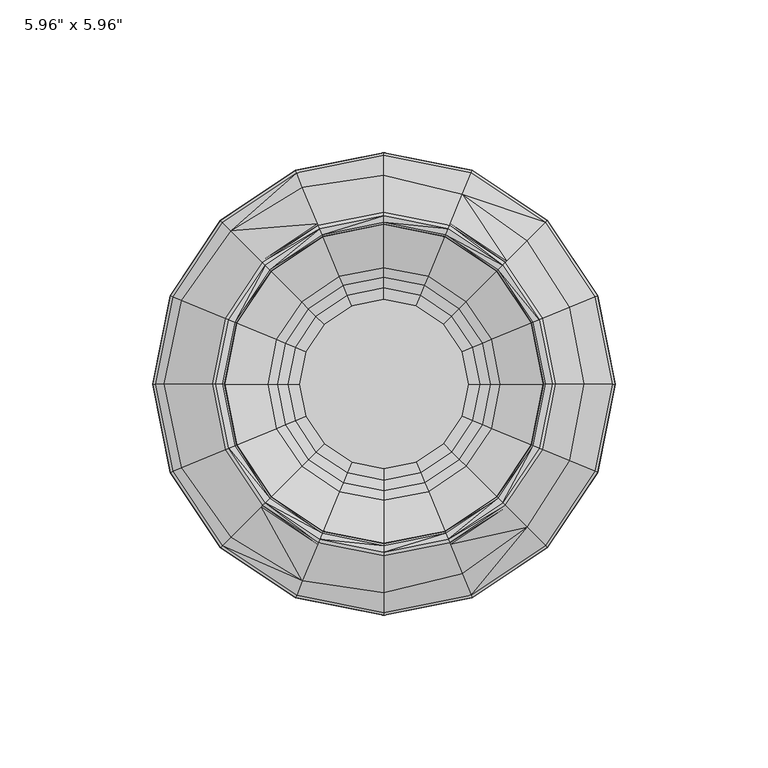
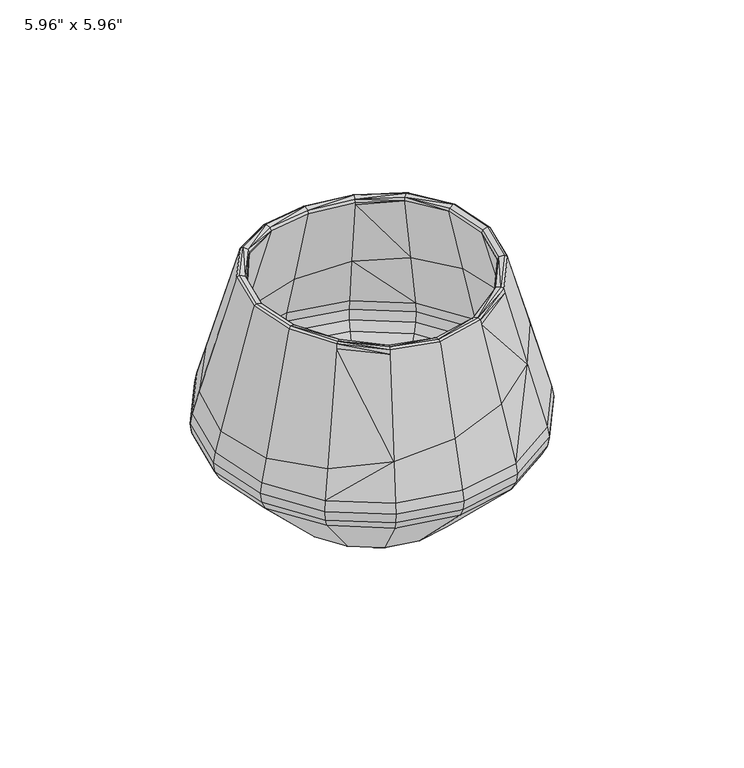
"""IFC4 building model written with IfcOpenShell, lengths in millimetres: furniture geometry."""

from ifc_helpers import new_model, si_unit, origin, place, context, project, spatial, triangles, source, transform, mapped, element, save


def furniture_072ff62c(model_context):
    return source(origin(), model_context, "Body", "Tessellation", [
        triangles([(0.2258568, 6.3e-06, -0.0253601), (26.4588546, 10.959619, 0.0710182), (28.6388633, 6.3e-06, 0.0710182), (29.89193, 12.3816445, 0.8253556), (32.3547952, 6.2e-06, 0.8253556), (33.1174258, 13.717689, 2.2913895), (35.8460428, 6e-06, 2.2913895), (36.0408166, 14.9285957, 4.4246371), (39.0103005, 5.6e-06, 4.4246334), (67.0739355, 27.7829244, 37.6653972), (72.6002969, -1.1e-06, 37.6653972), (69.2360083, 28.6784866, 41.9418349), (74.9405111, -1.8e-06, 41.9418304), (69.9548507, 28.9762428, 46.7227068), (75.7185977, -2.6e-06, 46.7227068), (69.1325126, 28.6356136, 51.5856094), (74.8284903, -3.4e-06, 51.5856094), (60.8238855, 25.1940608, 84.1783648), (65.6085407, -9.5e-06, 85.0001442), (70.1323516, -3.6e-06, 53.0549829), (64.7938421, 26.8384804, 53.0549829), (65.6079821, 27.1757054, 48.1774418), (71.0135706, -2.8e-06, 48.1774418), (64.8908611, 26.8786691, 43.3818269), (70.2373689, -2.1e-06, 43.3818269), (62.738299, 25.9870448, 39.0840288), (67.9074466, -1.4e-06, 39.0840288), (35.2262474, 14.5911913, 9.6932106), (38.1286229, 4.6e-06, 9.6932151), (32.3084544, 13.382602, 7.5491565), (34.9704218, 4.9e-06, 7.5491526), (29.0856838, 12.0476851, 6.0747757), (31.4821218, 5.1e-06, 6.0747723), (25.6532329, 10.6259184, 5.3157082), (27.7668621, 5.3e-06, 5.3157082), (1.53e-05, 5.3e-06, 5.2186858), (0.1597023, 0.1596966, -0.0253601), (20.2507329, 20.2507284, 0.0710182), (22.8782933, 22.8782865, 0.8253556), (25.3469766, 25.3469744, 2.2913895), (27.5844445, 27.58444, 4.4246291), (51.3361697, 51.3361561, 37.6653972), (52.990947, 52.9909334, 41.9418349), (53.5411314, 53.5411178, 46.7227068), (52.9117413, 52.911714, 51.5856094), (46.938632, 46.9386002, 81.7934903), (49.5910682, 49.591041, 53.0549829), (50.214177, 50.2141588, 48.1774418), (49.6653233, 49.6653051, 43.3818269), (48.0178176, 48.0177949, 39.0840288), (26.9610042, 26.9609929, 9.6932151), (24.7278216, 24.7278148, 7.5491526), (22.2612184, 22.2612093, 6.0747723), (19.6341304, 19.6341259, 5.3157048), (3.8e-06, 0.2258347, -0.0253601), (10.9596145, 26.4588456, 0.071022), (12.3816423, 29.8919163, 0.8253556), (13.7176867, 33.1174144, 2.2913895), (14.9285957, 36.0408052, 4.4246291), (27.7829403, 67.0739128, 37.6653972), (28.6785002, 69.235981, 41.9418304), (28.9762587, 69.954837, 46.7227068), (28.6356317, 69.1324763, 51.5856094), (25.7084985, 62.0657474, 78.1471014), (26.8384985, 64.7938194, 53.0549829), (27.1757236, 65.6079594, 48.1774418), (26.8786873, 64.8908384, 43.3818269), (25.9870629, 62.7382717, 39.0840288), (14.591189, 35.2262337, 9.6932185), (13.382602, 32.3084408, 7.5491452), (12.0476851, 29.0856679, 6.0747683), (10.625915, 25.6532148, 5.3157122), (0.0, 28.6388429, 0.071022), (0.0, 32.3547793, 0.8253556), (0.0, 35.8460247, 2.2913934), (0.0, 39.0102824, 4.4246291), (1.14e-05, 72.6002833, 37.6653972), (1.53e-05, 74.9404929, 41.9418349), (1.53e-05, 75.7185659, 46.7227068), (1.53e-05, 74.8284631, 51.5856094), (1.91e-05, 68.3620518, 73.7315188), (1.53e-05, 70.1323289, 53.0549829), (1.53e-05, 71.0135479, 48.1774418), (1.53e-05, 70.2373461, 43.3818269), (1.53e-05, 67.9074239, 39.0840288), (3.8e-06, 38.1285956, 9.6932185), (3.8e-06, 34.9703991, 7.5491452), (3.8e-06, 31.4821014, 6.0747683), (3.8e-06, 27.7668394, 5.3157122), (-0.1596871, 0.1596808, -0.0253601), (-10.9596099, 26.4588365, 0.071022), (-12.3816389, 29.8919118, 0.8253556), (-13.7176822, 33.1174053, 2.2913895), (-14.92859, 36.0408007, 4.4246291), (-27.7829154, 67.0739128, 37.6653972), (-28.6784752, 69.235981, 41.9418304), (-28.976236, 69.954837, 46.7227068), (-28.6356068, 69.1324854, 51.5856094), (-26.7004551, 64.4606275, 69.1455614), (-26.838469, 64.7938194, 53.0549829), (-27.1756986, 65.6079594, 48.1774418), (-26.8786646, 64.8908384, 43.3818269), (-25.9870357, 62.7382717, 39.0840288), (-14.5911867, 35.2262292, 9.6932185), (-13.3825963, 32.308434, 7.5491452), (-12.0476805, 29.0856633, 6.0747683), (-10.6259116, 25.6532125, 5.3157122), (-20.2507193, 20.2507125, 0.0710182), (-22.8782751, 22.8782729, 0.8253556), (-25.346963, 25.3469562, 2.2913895), (-27.5844287, 27.5844218, 4.4246291), (-51.3361379, 51.336147, 37.6653972), (-52.9909107, 52.9909243, 41.9418349), (-53.5410951, 53.5411133, 46.7227068), (-52.9117004, 52.911714, 51.5856094), (-50.2389166, 50.2389393, 65.1026895), (-49.5910183, 49.591041, 53.0549829), (-50.2141452, 50.2141588, 48.1774418), (-49.665287, 49.6653006, 43.3818269), (-48.0177767, 48.0177903, 39.0840288), (-26.9609838, 26.9609792, 9.6932151), (-24.7278057, 24.7277989, 7.5491526), (-22.2612002, 22.2611957, 6.0747723), (-19.6341145, 19.6341122, 5.3157048), (-0.2258263, -1.68e-05, -0.0253601), (-26.458841, 10.9595929, 0.0710182), (-29.8919073, 12.3816184, 0.8253556), (-33.1174031, 13.7176617, 2.2913895), (-36.0407984, 14.9285685, 4.4246371), (-67.0739037, 27.7829063, 37.6653972), (-69.235981, 28.6784662, 41.9418349), (-69.954828, 28.9762269, 46.7227068), (-69.1324763, 28.6355977, 51.5856094), (-66.3940079, 27.5012896, 62.3279498), (-64.7938103, 26.8384645, 53.0549829), (-65.6079503, 27.1756918, 48.1774418), (-64.8908338, 26.8786487, 43.3818269), (-62.7382717, 25.9870243, 39.0840288), (-35.2262292, 14.5911651, 9.6932106), (-32.308434, 13.3825748, 7.5491565), (-29.0856633, 12.0476601, 6.0747757), (-25.653208, 10.6258935, 5.3157082), (-28.6388338, -1.93e-05, 0.0710182), (-32.3547611, -1.95e-05, 0.8253556), (-35.8460088, -1.95e-05, 2.2913895), (-39.0102733, -1.95e-05, 4.4246334), (-72.6002697, -1.47e-05, 37.6653972), (-74.9404793, -1.42e-05, 41.9418304), (-75.7185523, -1.35e-05, 46.7227068), (-74.8284449, -1.26e-05, 51.5856094), (-72.1364989, -1.05e-05, 61.3416455), (-70.1323153, -1.2e-05, 53.0549829), (-71.0135342, -1.28e-05, 48.1774418), (-70.2373325, -1.36e-05, 43.3818269), (-67.9074057, -1.4e-05, 39.0840288), (-38.1285956, -1.83e-05, 9.6932151), (-34.9703922, -1.84e-05, 7.5491526), (-31.4820968, -1.83e-05, 6.0747723), (-27.7668303, -1.81e-05, 5.3157082), (-0.159668, -0.1597087, -0.0253601), (-26.4588251, -10.9596292, 0.0710182), (-29.8919004, -12.3816536, 0.8253556), (-33.117394, -13.7176969, 2.2913895), (-36.040787, -14.9286059, 4.4246291), (-67.0738901, -27.7829335, 37.6653972), (-69.2359674, -28.6784934, 41.9418304), (-69.9548143, -28.9762496, 46.7227022), (-69.1324626, -28.6356204, 51.5856094), (-66.3940033, -27.5013101, 62.3279498), (-64.7937967, -26.8384872, 53.0549829), (-65.6079412, -27.1757145, 48.1774418), (-64.8908247, -26.8786782, 43.3818269), (-62.7382536, -25.9870539, 39.0840288), (-35.2262224, -14.5911969, 9.6932185), (-32.3084181, -13.3826111, 7.5491492), (-29.0856497, -12.0476953, 6.0747683), (-25.6532011, -10.6259264, 5.3157082), (-20.2506943, -20.2507398, 0.0710182), (-22.8782592, -22.8783024, 0.8253556), (-25.3469471, -25.3469903, 2.2913895), (-27.5844128, -27.5844604, 4.4246334), (-51.3361243, -51.3361697, 37.6653972), (-52.9909016, -52.990947, 41.9418304), (-53.541086, -53.5411269, 46.7227022), (-52.9116822, -52.9117276, 51.5856094), (-50.238912, -50.2389529, 65.1026805), (-49.5910183, -49.5910591, 53.0549829), (-50.2141316, -50.214177, 48.1774418), (-49.6652779, -49.6653188, 43.3818269), (-48.0177722, -48.0178131, 39.0840288), (-26.9609679, -26.9610133, 9.6932151), (-24.727783, -24.7278329, 7.5491526), (-22.2611866, -22.2612298, 6.0747723), (-19.6340986, -19.634144, 5.3157082), (2.67e-05, -0.2258491, -0.0253601), (-10.9595793, -26.4588592, 0.0710144), (-12.3816082, -29.8919345, 0.8253556), (-13.7176447, -33.117428, 2.2913895), (-14.9285594, -36.0408211, 4.4246334), (-27.7828836, -67.0739355, 37.6653972), (-28.6784457, -69.2360037, 41.9418304), (-28.9761974, -69.9548507, 46.7227068), (-28.6355772, -69.132499, 51.5856094), (-26.7004324, -64.4606502, 69.1455387), (-26.8384395, -64.7938421, 53.0549829), (-27.1756691, -65.607973, 48.1774418), (-26.878626, -64.8908611, 43.3818269), (-25.9870039, -62.7382899, 39.0840288), (-14.5911493, -35.2262564, 9.6932106), (-13.3825657, -32.3084635, 7.5491565), (-12.0476499, -29.0856906, 6.0747757), (-10.6258787, -25.6532398, 5.3157048), (2.67e-05, -28.6388542, 0.0710144), (2.67e-05, -32.3547838, 0.8253556), (2.67e-05, -35.846036, 2.2913858), (2.67e-05, -39.010296, 4.4246334), (2.29e-05, -72.6002833, 37.6653972), (2.29e-05, -74.9404929, 41.9418304), (2.29e-05, -75.7185795, 46.7227022), (2.29e-05, -74.8284676, 51.5856094), (1.91e-05, -68.3620654, 73.7315051), (2.29e-05, -70.132338, 53.0549829), (2.29e-05, -71.0135569, 48.1774418), (2.29e-05, -70.2373552, 43.3818269), (2.29e-05, -67.9074284, 39.0840288), (2.29e-05, -38.1286093, 9.6932106), (2.29e-05, -34.970415, 7.5491565), (2.29e-05, -31.482115, 6.0747757), (2.67e-05, -27.7668553, 5.3157048), (0.1597176, -0.1596929, -0.0253601), (10.9596451, -26.4588433, 0.0710144), (12.3816707, -29.8919163, 0.8253556), (13.7177151, -33.1174099, 2.2913895), (14.9286218, -36.0408007, 4.4246334), (27.7829608, -67.0739173, 37.6653972), (28.6785207, -69.235981, 41.9418304), (28.9762791, -69.954837, 46.7227068), (28.6356499, -69.1324763, 51.5856094), (25.7085098, -62.0657565, 78.1470832), (26.8385122, -64.7938194, 53.0549829), (27.175744, -65.6079594, 48.1774418), (26.8787055, -64.8908384, 43.3818269), (25.9870811, -62.7382763, 39.0840288), (14.5912185, -35.226236, 9.6932106), (13.3826259, -32.3084454, 7.5491565), (12.0477123, -29.0856724, 6.0747757), (10.6259423, -25.6532216, 5.3157048), (20.2507534, -20.2507125, 0.0710182), (22.8783137, -22.8782729, 0.8253556), (25.3470016, -25.346963, 2.2913895), (27.5844695, -27.5844287, 4.4246334), (51.3361924, -51.3361379, 37.6653972), (52.9909697, -52.9909152, 41.9418304), (53.5411541, -53.5410996, 46.7227022), (52.9117549, -52.9117004, 51.5856094), (46.9386411, -46.9386002, 81.7934813), (49.5910818, -49.5910273, 53.0549829), (50.2141997, -50.2141452, 48.1774418), (49.6653415, -49.6652961, 43.3818269), (48.0178358, -48.0177858, 39.0840288), (26.9610247, -26.9609861, 9.6932151), (24.7278443, -24.7278057, 7.5491526), (22.2612411, -22.2612025, 6.0747723), (19.6341531, -19.6341191, 5.3157082), (26.458866, -10.9596054, 0.0710182), (29.8919391, -12.381632, 0.8253556), (33.1174349, -13.7176765, 2.2913895), (36.0408279, -14.9285844, 4.4246291), (67.07394, -27.782929, 37.6653972), (69.2360083, -28.6784866, 41.9418304), (69.9548643, -28.976245, 46.7227022), (69.1325126, -28.6356181, 51.5856094), (60.8238855, -25.1940813, 84.1783557), (64.7938467, -26.8384826, 53.0549829), (65.6079866, -27.1757122, 48.1774418), (64.8908702, -26.8786714, 43.3818269), (62.738299, -25.987047, 39.0840288), (35.2262587, -14.5911799, 9.6932185), (32.3084658, -13.3825918, 7.5491492), (29.0856928, -12.0476749, 6.0747683), (25.653242, -10.625906, 5.3157082), (56.9751969, 23.5998813, 83.5173223), (61.4557147, -9.4e-06, 84.2868792), (43.9680421, 43.9680012, 81.2832744), (24.0803502, 58.1350416, 77.8674491), (1.91e-05, 64.0387556, 73.7315097), (-25.017709, 60.3981302, 69.4345745), (-47.0831681, 47.0831862, 65.6447031), (-62.230195, 25.7765812, 63.0431087), (-67.6143822, -1e-05, 62.1183423), (-62.2301814, -25.7766016, 63.0431087), (-47.0831681, -47.0832044, 65.6446986), (-25.0176931, -60.3981529, 69.4345699), (1.53e-05, -64.0387737, 73.7314961), (24.0803593, -58.1350598, 77.8674309), (43.9680466, -43.9680057, 81.2832653), (56.9752014, -23.5998994, 83.5173223)], [[1, 2, 3], [3, 2, 4], [3, 4, 5], [5, 4, 6], [5, 6, 7], [7, 6, 8], [7, 8, 9], [9, 8, 10], [9, 10, 11], [11, 10, 12], [11, 12, 13], [13, 12, 14], [13, 14, 15], [15, 14, 16], [15, 16, 17], [17, 16, 18], [17, 18, 19], [20, 21, 22], [20, 22, 23], [23, 22, 24], [23, 24, 25], [25, 24, 26], [25, 26, 27], [27, 26, 28], [27, 28, 29], [29, 28, 30], [29, 30, 31], [31, 30, 32], [31, 32, 33], [33, 32, 34], [33, 34, 35], [35, 34, 36], [1, 37, 38], [1, 38, 2], [2, 38, 39], [2, 39, 4], [4, 39, 40], [4, 40, 6], [6, 40, 41], [6, 41, 8], [8, 41, 42], [8, 42, 10], [10, 42, 43], [10, 43, 12], [12, 43, 44], [12, 44, 14], [14, 44, 45], [14, 45, 16], [16, 45, 46], [16, 46, 18], [21, 47, 48], [21, 48, 22], [22, 48, 49], [22, 49, 24], [24, 49, 50], [24, 50, 26], [26, 50, 51], [26, 51, 28], [28, 51, 52], [28, 52, 30], [30, 52, 53], [30, 53, 32], [32, 53, 54], [32, 54, 34], [34, 54, 36], [37, 55, 56], [37, 56, 38], [38, 56, 57], [38, 57, 39], [39, 57, 58], [39, 58, 40], [40, 58, 59], [40, 59, 41], [41, 59, 60], [41, 60, 42], [42, 60, 61], [42, 61, 43], [43, 61, 62], [43, 62, 44], [44, 62, 63], [44, 63, 45], [45, 63, 64], [45, 64, 46], [47, 65, 66], [47, 66, 48], [48, 66, 67], [48, 67, 49], [49, 67, 68], [49, 68, 50], [50, 68, 69], [50, 69, 51], [51, 69, 70], [51, 70, 52], [52, 70, 71], [52, 71, 53], [53, 71, 72], [53, 72, 54], [54, 72, 36], [55, 73, 56], [56, 73, 74], [56, 74, 57], [57, 74, 75], [57, 75, 58], [58, 75, 76], [58, 76, 59], [59, 76, 77], [59, 77, 60], [60, 77, 78], [60, 78, 61], [61, 78, 79], [61, 79, 62], [62, 79, 80], [62, 80, 63], [63, 80, 81], [63, 81, 64], [65, 82, 83], [65, 83, 66], [66, 83, 84], [66, 84, 67], [67, 84, 85], [67, 85, 68], [68, 85, 86], [68, 86, 69], [69, 86, 87], [69, 87, 70], [70, 87, 88], [70, 88, 71], [71, 88, 89], [71, 89, 72], [72, 89, 36], [55, 90, 91], [55, 91, 73], [73, 91, 92], [73, 92, 74], [74, 92, 93], [74, 93, 75], [75, 93, 94], [75, 94, 76], [76, 94, 95], [76, 95, 77], [77, 95, 96], [77, 96, 78], [78, 96, 97], [78, 97, 79], [79, 97, 98], [79, 98, 80], [80, 98, 99], [80, 99, 81], [82, 100, 101], [82, 101, 83], [83, 101, 102], [83, 102, 84], [84, 102, 103], [84, 103, 85], [85, 103, 104], [85, 104, 86], [86, 104, 105], [86, 105, 87], [87, 105, 106], [87, 106, 88], [88, 106, 107], [88, 107, 89], [89, 107, 36], [90, 108, 91], [91, 108, 109], [91, 109, 92], [92, 109, 110], [92, 110, 93], [93, 110, 111], [93, 111, 94], [94, 111, 112], [94, 112, 95], [95, 112, 113], [95, 113, 96], [96, 113, 114], [96, 114, 97], [97, 114, 115], [97, 115, 98], [98, 115, 116], [98, 116, 99], [100, 117, 118], [100, 118, 101], [101, 118, 119], [101, 119, 102], [102, 119, 120], [102, 120, 103], [103, 120, 121], [103, 121, 104], [104, 121, 122], [104, 122, 105], [105, 122, 123], [105, 123, 106], [106, 123, 124], [106, 124, 107], [107, 124, 36], [90, 125, 126], [90, 126, 108], [108, 126, 127], [108, 127, 109], [109, 127, 128], [109, 128, 110], [110, 128, 129], [110, 129, 111], [111, 129, 130], [111, 130, 112], [112, 130, 131], [112, 131, 113], [113, 131, 132], [113, 132, 114], [114, 132, 133], [114, 133, 115], [115, 133, 134], [115, 134, 116], [117, 135, 136], [117, 136, 118], [118, 136, 137], [118, 137, 119], [119, 137, 138], [119, 138, 120], [120, 138, 139], [120, 139, 121], [121, 139, 140], [121, 140, 122], [122, 140, 141], [122, 141, 123], [123, 141, 142], [123, 142, 124], [124, 142, 36], [125, 143, 126], [126, 143, 144], [126, 144, 127], [127, 144, 145], [127, 145, 128], [128, 145, 146], [128, 146, 129], [129, 146, 147], [129, 147, 130], [130, 147, 148], [130, 148, 131], [131, 148, 149], [131, 149, 132], [132, 149, 150], [132, 150, 133], [133, 150, 151], [133, 151, 134], [135, 152, 153], [135, 153, 136], [136, 153, 154], [136, 154, 137], [137, 154, 155], [137, 155, 138], [138, 155, 156], [138, 156, 139], [139, 156, 157], [139, 157, 140], [140, 157, 158], [140, 158, 141], [141, 158, 159], [141, 159, 142], [142, 159, 36], [125, 160, 161], [125, 161, 143], [143, 161, 162], [143, 162, 144], [144, 162, 163], [144, 163, 145], [145, 163, 164], [145, 164, 146], [146, 164, 165], [146, 165, 147], [147, 165, 166], [147, 166, 148], [148, 166, 167], [148, 167, 149], [149, 167, 168], [149, 168, 150], [150, 168, 169], [150, 169, 151], [152, 170, 171], [152, 171, 153], [153, 171, 172], [153, 172, 154], [154, 172, 173], [154, 173, 155], [155, 173, 174], [155, 174, 156], [156, 174, 175], [156, 175, 157], [157, 175, 176], [157, 176, 158], [158, 176, 177], [158, 177, 159], [159, 177, 36], [160, 178, 161], [161, 178, 179], [161, 179, 162], [162, 179, 180], [162, 180, 163], [163, 180, 181], [163, 181, 164], [164, 181, 182], [164, 182, 165], [165, 182, 183], [165, 183, 166], [166, 183, 184], [166, 184, 167], [167, 184, 185], [167, 185, 168], [168, 185, 186], [168, 186, 169], [170, 187, 188], [170, 188, 171], [171, 188, 189], [171, 189, 172], [172, 189, 190], [172, 190, 173], [173, 190, 191], [173, 191, 174], [174, 191, 192], [174, 192, 175], [175, 192, 193], [175, 193, 176], [176, 193, 194], [176, 194, 177], [177, 194, 36], [160, 195, 196], [160, 196, 178], [178, 196, 197], [178, 197, 179], [179, 197, 198], [179, 198, 180], [180, 198, 199], [180, 199, 181], [181, 199, 200], [181, 200, 182], [182, 200, 201], [182, 201, 183], [183, 201, 202], [183, 202, 184], [184, 202, 203], [184, 203, 185], [185, 203, 204], [185, 204, 186], [187, 205, 206], [187, 206, 188], [188, 206, 207], [188, 207, 189], [189, 207, 208], [189, 208, 190], [190, 208, 209], [190, 209, 191], [191, 209, 210], [191, 210, 192], [192, 210, 211], [192, 211, 193], [193, 211, 212], [193, 212, 194], [194, 212, 36], [195, 213, 196], [196, 213, 214], [196, 214, 197], [197, 214, 215], [197, 215, 198], [198, 215, 216], [198, 216, 199], [199, 216, 217], [199, 217, 200], [200, 217, 218], [200, 218, 201], [201, 218, 219], [201, 219, 202], [202, 219, 220], [202, 220, 203], [203, 220, 221], [203, 221, 204], [205, 222, 223], [205, 223, 206], [206, 223, 224], [206, 224, 207], [207, 224, 225], [207, 225, 208], [208, 225, 226], [208, 226, 209], [209, 226, 227], [209, 227, 210], [210, 227, 228], [210, 228, 211], [211, 228, 229], [211, 229, 212], [212, 229, 36], [195, 230, 231], [195, 231, 213], [213, 231, 232], [213, 232, 214], [214, 232, 233], [214, 233, 215], [215, 233, 234], [215, 234, 216], [216, 234, 235], [216, 235, 217], [217, 235, 236], [217, 236, 218], [218, 236, 237], [218, 237, 219], [219, 237, 238], [219, 238, 220], [220, 238, 239], [220, 239, 221], [222, 240, 241], [222, 241, 223], [223, 241, 242], [223, 242, 224], [224, 242, 243], [224, 243, 225], [225, 243, 244], [225, 244, 226], [226, 244, 245], [226, 245, 227], [227, 245, 246], [227, 246, 228], [228, 246, 247], [228, 247, 229], [229, 247, 36], [230, 248, 231], [231, 248, 249], [231, 249, 232], [232, 249, 250], [232, 250, 233], [233, 250, 251], [233, 251, 234], [234, 251, 252], [234, 252, 235], [235, 252, 253], [235, 253, 236], [236, 253, 254], [236, 254, 237], [237, 254, 255], [237, 255, 238], [238, 255, 256], [238, 256, 239], [240, 257, 258], [240, 258, 241], [241, 258, 259], [241, 259, 242], [242, 259, 260], [242, 260, 243], [243, 260, 261], [243, 261, 244], [244, 261, 262], [244, 262, 245], [245, 262, 263], [245, 263, 246], [246, 263, 264], [246, 264, 247], [247, 264, 36], [230, 1, 265], [230, 265, 248], [248, 265, 266], [248, 266, 249], [249, 266, 267], [249, 267, 250], [250, 267, 268], [250, 268, 251], [251, 268, 269], [251, 269, 252], [252, 269, 270], [252, 270, 253], [253, 270, 271], [253, 271, 254], [254, 271, 272], [254, 272, 255], [255, 272, 273], [255, 273, 256], [257, 274, 275], [257, 275, 258], [258, 275, 276], [258, 276, 259], [259, 276, 277], [259, 277, 260], [260, 277, 278], [260, 278, 261], [261, 278, 279], [261, 279, 262], [262, 279, 280], [262, 280, 263], [263, 280, 281], [263, 281, 264], [264, 281, 36], [1, 3, 265], [265, 3, 5], [265, 5, 266], [266, 5, 7], [266, 7, 267], [267, 7, 9], [267, 9, 268], [268, 9, 11], [268, 11, 269], [269, 11, 13], [269, 13, 270], [270, 13, 15], [270, 15, 271], [271, 15, 17], [271, 17, 272], [272, 17, 19], [272, 19, 273], [274, 20, 23], [274, 23, 275], [275, 23, 25], [275, 25, 276], [276, 25, 27], [276, 27, 277], [277, 27, 29], [277, 29, 278], [278, 29, 31], [278, 31, 279], [279, 31, 33], [279, 33, 280], [280, 33, 35], [280, 35, 281], [281, 35, 36], [282, 21, 20], [282, 20, 283], [284, 47, 21], [284, 21, 282], [285, 65, 47], [285, 47, 284], [286, 82, 65], [286, 65, 285], [287, 100, 82], [287, 82, 286], [288, 117, 100], [288, 100, 287], [289, 135, 117], [289, 117, 288], [290, 152, 135], [290, 135, 289], [291, 170, 152], [291, 152, 290], [292, 187, 170], [292, 170, 291], [293, 205, 187], [293, 187, 292], [294, 222, 205], [294, 205, 293], [295, 240, 222], [295, 222, 294], [296, 257, 240], [296, 240, 295], [297, 274, 257], [297, 257, 296], [283, 20, 274], [283, 274, 297]], closed=False),
        triangles([(52.4992437, 21.745877, 116.8339387), (51.9848175, 21.5327927, 118.8519206), (56.2679545, -1.57e-05, 118.8519206), (56.82477, -1.53e-05, 116.8339296), (40.1834711, 40.1834302, 115.9564759), (39.7898133, 39.7897724, 117.9473246), (21.7499056, 52.5088407, 114.0683099), (21.5369462, 51.9947097, 116.0007683), (2.67e-05, 56.8386182, 113.1965063), (2.67e-05, 56.2822341, 115.101995), (-21.7498511, 52.5088543, 114.068319), (-21.5368894, 51.9947187, 116.0007683), (-40.1834302, 40.183453, 115.9564668), (-39.7897679, 39.7897906, 117.9473246), (-52.4992028, 21.745886, 116.8339387), (-51.9847766, 21.5328018, 118.8519206), (-56.8247246, 1.5e-06, 116.8339296), (-56.267909, 1.9e-06, 118.8519206), (-52.4992074, -21.745886, 116.8339387), (-51.9847766, -21.532804, 118.8519206), (-40.1834212, -40.183453, 115.9564668), (-39.7897679, -39.7897906, 117.9473155), (-21.7498556, -52.5088589, 114.068319), (-21.5368963, -51.9947233, 116.0007683), (7.6e-06, -56.8386273, 113.1964972), (7.6e-06, -56.2822432, 115.101995), (21.7499011, -52.5088543, 114.0683099), (21.5369394, -51.9947187, 116.0007683), (40.1834666, -40.1834439, 115.9564668), (39.7898087, -39.789786, 117.9473155), (52.4992392, -21.7459042, 116.8339296), (51.9848084, -21.5328245, 118.8519206), (48.5661762, 20.1167454, 116.279821), (56.9751969, 23.5998813, 83.5173223), (61.4557147, -9.4e-06, 84.2868792), (52.5676489, -1.52e-05, 116.279821), (37.1733646, 37.1733237, 115.3933835), (43.9680421, 43.9680012, 81.2832744), (20.1210102, 48.57635, 113.4858691), (24.0803502, 58.1350416, 77.8674491), (2.67e-05, 52.5823328, 112.6051362), (1.91e-05, 64.0387556, 73.7315097), (-20.1209648, 48.5763591, 113.4858691), (-25.017709, 60.3981302, 69.4345745), (-37.1733124, 37.1733374, 115.3933835), (-47.0831681, 47.0831862, 65.6447031), (-48.5661308, 20.1167567, 116.279821), (-62.230195, 25.7765812, 63.0431087), (-52.5676126, 1.8e-06, 116.279821), (-67.6143822, -1e-05, 62.1183423), (-48.5661308, -20.1167545, 116.279821), (-62.2301814, -25.7766016, 63.0431087), (-37.173326, -37.1733351, 115.3933744), (-47.0831681, -47.0832044, 65.6446986), (-20.1209648, -48.5763682, 113.4858691), (-25.0176931, -60.3981529, 69.4345699), (7.6e-06, -52.5823464, 112.6051362), (1.53e-05, -64.0387737, 73.7314961), (20.1210057, -48.5763636, 113.4858691), (24.0803593, -58.1350598, 77.8674309), (37.1733601, -37.1733351, 115.3933744), (43.9680466, -43.9680057, 81.2832653), (48.5661717, -20.1167726, 116.279821), (56.9752014, -23.5998994, 83.5173223), (60.8238855, 25.1940608, 84.1783648), (65.6085407, -9.5e-06, 85.0001442), (46.938632, 46.9386002, 81.7934903), (25.7084985, 62.0657474, 78.1471014), (1.91e-05, 68.3620518, 73.7315188), (-26.7004551, 64.4606275, 69.1455614), (-50.2389166, 50.2389393, 65.1026895), (-66.3940079, 27.5012896, 62.3279498), (-72.1364989, -1.05e-05, 61.3416455), (-66.3940033, -27.5013101, 62.3279498), (-50.238912, -50.2389529, 65.1026805), (-26.7004324, -64.4606502, 69.1455387), (1.91e-05, -68.3620654, 73.7315051), (25.7085098, -62.0657565, 78.1470832), (46.9386411, -46.9386002, 81.7934813), (60.8238855, -25.1940813, 84.1783557), (55.0483886, -1.58e-05, 119.5147616), (50.8580785, 21.0660833, 119.5147616), (48.8686923, 20.2420511, 118.8347704), (52.8950907, -1.57e-05, 118.8347704), (52.2091815, -1.55e-05, 117.570122), (48.2350009, 19.9795672, 117.570122), (38.9250995, 38.9250587, 118.6092482), (37.4024931, 37.4024499, 117.929257), (36.9199394, 36.9198985, 116.6655987), (21.0661265, 50.8580512, 116.6605845), (20.242092, 48.8686695, 115.9805842), (19.9839183, 48.2453836, 114.7191514), (2.67e-05, 55.0483614, 115.7607847), (2.67e-05, 52.8950635, 115.0807845), (2.67e-05, 52.2241697, 113.8204417), (-21.066072, 50.8580603, 116.6605845), (-20.2420421, 48.8686741, 115.9805842), (-19.9838729, 48.2453882, 114.7191514), (-38.9250496, 38.9250768, 118.6092482), (-37.4024363, 37.4024658, 117.929257), (-36.9198849, 36.9199144, 116.6655987), (-50.8580376, 21.0660947, 119.5147616), (-48.8686559, 20.2420625, 118.8347704), (-48.23496, 19.9795785, 117.570122), (-55.0483432, 2.2e-06, 119.5147616), (-52.8950544, 2.3e-06, 118.8347704), (-52.2091452, 2.1e-06, 117.570122), (-50.8580376, -21.0660924, 119.5147616), (-48.8686559, -20.2420625, 118.8347704), (-48.23496, -19.9795763, 117.570122), (-38.9250496, -38.9250768, 118.6092391), (-37.4024499, -37.4024613, 117.9292389), (-36.9198985, -36.9199099, 116.6655805), (-21.0660743, -50.8580648, 116.6605845), (-20.2420466, -48.8686832, 115.9805933), (-19.9838729, -48.2453973, 114.7191605), (7.6e-06, -55.0483705, 115.7607847), (7.6e-06, -52.8950817, 115.0807935), (7.6e-06, -52.2241833, 113.8204508), (21.0661174, -50.8580603, 116.6605845), (20.2420875, -48.8686786, 115.9805933), (19.9839137, -48.2453927, 114.7191605), (38.925095, -38.9250723, 118.6092391), (37.4024885, -37.4024613, 117.9292389), (36.9199371, -36.9199099, 116.6655805), (50.8580739, -21.0661151, 119.5147616), (48.8686923, -20.2420829, 118.8347704), (48.2349964, -19.9795944, 117.570122)], [[1, 2, 3], [1, 3, 4], [5, 6, 2], [5, 2, 1], [7, 8, 6], [7, 6, 5], [9, 10, 8], [9, 8, 7], [11, 12, 10], [11, 10, 9], [13, 14, 12], [13, 12, 11], [15, 16, 14], [15, 14, 13], [17, 18, 16], [17, 16, 15], [19, 20, 18], [19, 18, 17], [21, 22, 20], [21, 20, 19], [23, 24, 22], [23, 22, 21], [25, 26, 24], [25, 24, 23], [27, 28, 26], [27, 26, 25], [29, 30, 28], [29, 28, 27], [31, 32, 30], [31, 30, 29], [4, 3, 32], [4, 32, 31], [33, 34, 35], [33, 35, 36], [37, 38, 34], [37, 34, 33], [39, 40, 38], [39, 38, 37], [41, 42, 40], [41, 40, 39], [43, 44, 42], [43, 42, 41], [45, 46, 44], [45, 44, 43], [47, 48, 46], [47, 46, 45], [49, 50, 48], [49, 48, 47], [51, 52, 50], [51, 50, 49], [53, 54, 52], [53, 52, 51], [55, 56, 54], [55, 54, 53], [57, 58, 56], [57, 56, 55], [59, 60, 58], [59, 58, 57], [61, 62, 60], [61, 60, 59], [63, 64, 62], [63, 62, 61], [36, 35, 64], [36, 64, 63], [65, 1, 4], [65, 4, 66], [67, 5, 1], [67, 1, 65], [68, 7, 5], [68, 5, 67], [69, 9, 7], [69, 7, 68], [70, 11, 9], [70, 9, 69], [71, 13, 11], [71, 11, 70], [72, 15, 13], [72, 13, 71], [73, 17, 15], [73, 15, 72], [74, 19, 17], [74, 17, 73], [75, 21, 19], [75, 19, 74], [76, 23, 21], [76, 21, 75], [77, 25, 23], [77, 23, 76], [78, 27, 25], [78, 25, 77], [79, 29, 27], [79, 27, 78], [80, 31, 29], [80, 29, 79], [66, 4, 31], [66, 31, 80], [81, 82, 83], [81, 83, 84], [85, 86, 33], [85, 33, 36], [82, 87, 88], [82, 88, 83], [86, 89, 37], [86, 37, 33], [87, 90, 91], [87, 91, 88], [89, 92, 39], [89, 39, 37], [90, 93, 94], [90, 94, 91], [92, 95, 41], [92, 41, 39], [93, 96, 97], [93, 97, 94], [95, 98, 43], [95, 43, 41], [96, 99, 100], [96, 100, 97], [98, 101, 45], [98, 45, 43], [99, 102, 103], [99, 103, 100], [101, 104, 47], [101, 47, 45], [102, 105, 106], [102, 106, 103], [104, 107, 49], [104, 49, 47], [105, 108, 109], [105, 109, 106], [107, 110, 51], [107, 51, 49], [108, 111, 112], [108, 112, 109], [110, 113, 53], [110, 53, 51], [111, 114, 115], [111, 115, 112], [113, 116, 55], [113, 55, 53], [114, 117, 118], [114, 118, 115], [116, 119, 57], [116, 57, 55], [117, 120, 121], [117, 121, 118], [119, 122, 59], [119, 59, 57], [120, 123, 124], [120, 124, 121], [122, 125, 61], [122, 61, 59], [123, 126, 127], [123, 127, 124], [125, 128, 63], [125, 63, 61], [126, 81, 84], [126, 84, 127], [128, 85, 36], [128, 36, 63], [2, 82, 81], [2, 81, 3], [83, 86, 85], [83, 85, 84], [6, 87, 82], [6, 82, 2], [88, 89, 86], [88, 86, 83], [8, 90, 87], [8, 87, 6], [91, 92, 89], [91, 89, 88], [10, 93, 90], [10, 90, 8], [94, 95, 92], [94, 92, 91], [12, 96, 93], [12, 93, 10], [97, 98, 95], [97, 95, 94], [14, 99, 96], [14, 96, 12], [100, 101, 98], [100, 98, 97], [16, 102, 99], [16, 99, 14], [103, 104, 101], [103, 101, 100], [18, 105, 102], [18, 102, 16], [106, 107, 104], [106, 104, 103], [20, 108, 105], [20, 105, 18], [109, 110, 107], [109, 107, 106], [22, 111, 108], [22, 108, 20], [112, 113, 110], [112, 110, 109], [24, 114, 111], [24, 111, 22], [115, 116, 113], [115, 113, 112], [26, 117, 114], [26, 114, 24], [118, 119, 116], [118, 116, 115], [28, 120, 117], [28, 117, 26], [121, 122, 119], [121, 119, 118], [30, 123, 120], [30, 120, 28], [124, 125, 122], [124, 122, 121], [32, 126, 123], [32, 123, 30], [127, 128, 125], [127, 125, 124], [3, 81, 126], [3, 126, 32], [84, 85, 128], [84, 128, 127]], closed=False),
    ])


if __name__ == "__main__":
    model = new_model("IFC4")
    model_context = context("Model", 3, world=origin())
    ifc_project = project(units=[si_unit("LENGTHUNIT", "METRE", prefix="MILLI")], contexts=[model_context])
    site = spatial("IfcSite", under=ifc_project)
    building = spatial("IfcBuilding", under=site)
    placement = place(None, origin())
    furniture_shape = furniture_072ff62c(model_context)
    element("IfcFurniture", 1, ObjectType="5.96\" x 5.96\"", at=placement, inside=building, context=model_context, shape_type="MappedRepresentation", body=[
        mapped(furniture_shape, transform((0.0, 0.0, 0.0), x_axis=(1.0, 0.0, 0.0), y_axis=(0.0, 1.0, 0.0), z_axis=(0.0, 0.0, 1.0))),
    ])
    save(model, "model.ifc")
